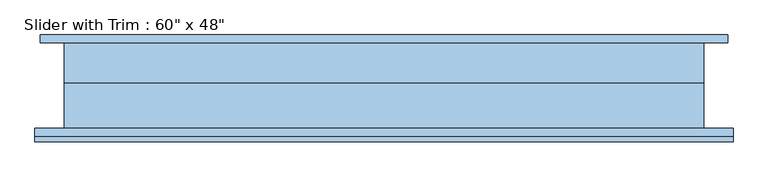
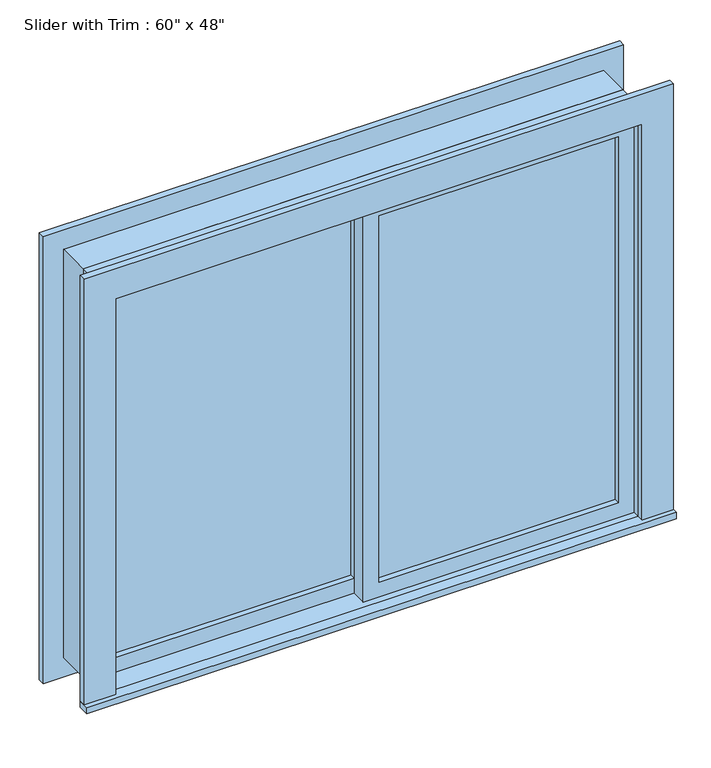
"""IFC4 building model written with IfcOpenShell, lengths in millimetres: window geometry."""

from ifc_helpers import new_model, si_unit, frame, origin, place, context, project, spatial, polyline, outline, extrude, source, transform, mapped, element, save


def window_a3e71ea7(model_context):
    return source(origin(), model_context, "Body", "SweptSolid", [
        extrude(outline(polyline([(-698.5, -22.225), (-698.5, -9.525), (-22.225, -9.525), (-22.225, -22.225), (-698.5, -22.225)])), frame((0.0, 0.0, 977.9), z_axis=(0.0, 0.0, 1.0), x_axis=(1.0, 0.0, 0.0)), (0.0, 0.0, 1.0), 1092.2),
        extrude(outline(polyline([(2114.55, -742.95), (933.45, -742.95), (933.45, 22.225), (2114.55, 22.225), (2114.55, -742.95)]), holes=[polyline([(2070.1, -698.5), (2070.1, -22.225), (977.9, -22.225), (977.9, -698.5), (2070.1, -698.5)])]), frame((0.0, -38.1, 0.0), z_axis=(0.0, 1.0, 0.0), x_axis=(0.0, 0.0, 1.0)), (0.0, 0.0, 1.0), 44.45),
        extrude(outline(polyline([(-831.85, -133.35), (-831.85, -101.6), (831.85, -101.6), (831.85, -133.35), (-831.85, -133.35)])), frame((0.0, 0.0, 914.4), z_axis=(0.0, 0.0, 1.0), x_axis=(1.0, 0.0, 0.0)), (0.0, 0.0, 1.0), 19.05),
        extrude(outline(polyline([(2114.55, -742.95), (2114.55, 742.95), (933.45, 742.95), (933.45, 831.85), (2203.45, 831.85), (2203.45, -831.85), (933.45, -831.85), (933.45, -742.95), (2114.55, -742.95)])), frame((0.0, -120.65, 0.0), z_axis=(0.0, 1.0, 0.0), x_axis=(0.0, 0.0, 1.0)), (0.0, 0.0, 1.0), 19.05),
        extrude(outline(polyline([(2190.75, 819.15), (2190.75, -819.15), (857.25, -819.15), (857.25, 819.15), (2190.75, 819.15)]), holes=[polyline([(2101.85, 730.25), (946.15, 730.25), (946.15, -730.25), (2101.85, -730.25), (2101.85, 730.25)])]), frame((0.0, 101.6, 0.0), z_axis=(0.0, 1.0, 0.0), x_axis=(0.0, 0.0, 1.0)), (0.0, 0.0, 1.0), 19.05),
        extrude(outline(polyline([(698.5, -53.975), (698.5, -66.675), (22.225, -66.675), (22.225, -53.975), (698.5, -53.975)])), frame((0.0, 0.0, 977.9), z_axis=(0.0, 0.0, 1.0), x_axis=(1.0, 0.0, 0.0)), (0.0, 0.0, 1.0), 1092.2),
        extrude(outline(polyline([(2114.55, -22.225), (933.45, -22.225), (933.45, 742.95), (2114.55, 742.95), (2114.55, -22.225)]), holes=[polyline([(2070.1, 22.225), (2070.1, 698.5), (977.9, 698.5), (977.9, 22.225), (2070.1, 22.225)])]), frame((0.0, -82.55, 0.0), z_axis=(0.0, 1.0, 0.0), x_axis=(0.0, 0.0, 1.0)), (0.0, 0.0, 1.0), 44.45),
        extrude(outline(polyline([(2133.6, -762.0), (914.4, -762.0), (914.4, 762.0), (2133.6, 762.0), (2133.6, -762.0)]), holes=[polyline([(2101.85, -730.25), (2101.85, 730.25), (946.15, 730.25), (946.15, -730.25), (2101.85, -730.25)])]), frame((0.0, 6.35, 0.0), z_axis=(0.0, 1.0, 0.0), x_axis=(0.0, 0.0, 1.0)), (0.0, 0.0, 1.0), 95.25),
        extrude(outline(polyline([(2133.6, 762.0), (2133.6, -762.0), (914.4, -762.0), (914.4, 762.0), (2133.6, 762.0)]), holes=[polyline([(2114.55, 742.95), (933.45, 742.95), (933.45, -742.95), (2114.55, -742.95), (2114.55, 742.95)])]), frame((0.0, -101.6, 0.0), z_axis=(0.0, 1.0, 0.0), x_axis=(0.0, 0.0, 1.0)), (0.0, 0.0, 1.0), 107.95),
    ])


if __name__ == "__main__":
    model = new_model("IFC4")
    model_context = context("Model", 3, world=origin())
    ifc_project = project(units=[si_unit("LENGTHUNIT", "METRE", prefix="MILLI")], contexts=[model_context])
    site = spatial("IfcSite", under=ifc_project)
    building = spatial("IfcBuilding", under=site)
    placement = place(None, origin())
    window_shape = window_a3e71ea7(model_context)
    element("IfcWindow", 1, ObjectType="Slider with Trim : 60\" x 48\"", at=placement, inside=building, context=model_context, shape_type="MappedRepresentation", body=[
        mapped(window_shape, transform((0.0, 0.0, 0.0), x_axis=(1.0, 0.0, 0.0), y_axis=(0.0, 1.0, 0.0), z_axis=(0.0, 0.0, 1.0))),
    ])
    save(model, "model.ifc")
